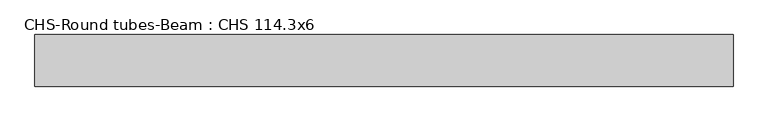
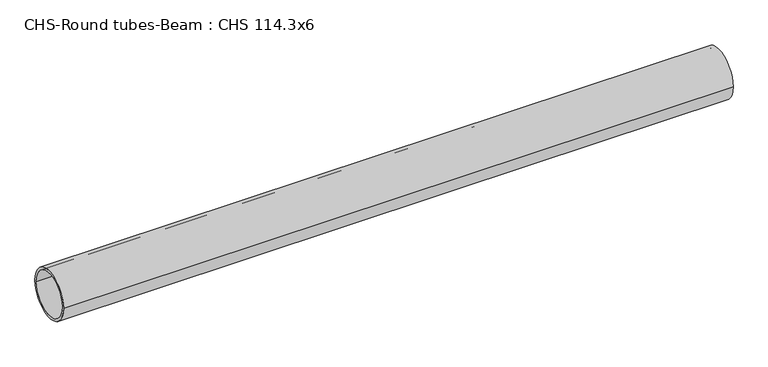
"""IFC4 building model written with IfcOpenShell, lengths in millimetres: beam geometry, CHS-Round tubes-Beam : CHS 114.3x6."""

from ifc_helpers import new_model, si_unit, point, frame, origin, origin_2d, place, context, project, spatial, circle_curve, trimmed, segment, composite_curve, outline, extrude, source, transform, mapped, element, save


def chs_round_tubes_beam_chs_114_3x6_e14527c5(model_context):
    return source(origin(), model_context, "Body", "SweptSolid", [
        extrude(outline(composite_curve([segment(trimmed(circle_curve(origin_2d(), 57.15), [point((57.15, 0.0))], [point((-57.15, 0.0))], False, "CARTESIAN"), True, "CONTINUOUS"), segment(trimmed(circle_curve(origin_2d(), 57.15), [point((-57.15, 0.0))], [point((57.15, 0.0))], False, "CARTESIAN"), True, "CONTINUOUS")], self_intersect=False), holes=[composite_curve([segment(trimmed(circle_curve(origin_2d(), 51.15), [point((51.15, 0.0))], [point((-51.15, 0.0))], True, "CARTESIAN"), True, "CONTINUOUS"), segment(trimmed(circle_curve(origin_2d(), 51.15), [point((-51.15, 0.0))], [point((51.15, 0.0))], True, "CARTESIAN"), True, "CONTINUOUS")], self_intersect=False)]), frame((-747.5068852, 0.0, 0.0), z_axis=(1.0, 0.0, 0.0), x_axis=(0.0, 1.0, 0.0)), (0.0, 0.0, 1.0), 1544.7820137),
    ])


if __name__ == "__main__":
    model = new_model("IFC4")
    model_context = context("Model", 3, world=origin())
    ifc_project = project(units=[si_unit("LENGTHUNIT", "METRE", prefix="MILLI")], contexts=[model_context])
    site = spatial("IfcSite", under=ifc_project)
    building = spatial("IfcBuilding", under=site)
    placement = place(None, origin())
    chs_round_tubes_beam_chs_114_3x6_shape = chs_round_tubes_beam_chs_114_3x6_e14527c5(model_context)
    element("IfcBeam", 1, ObjectType="CHS-Round tubes-Beam : CHS 114.3x6", at=placement, inside=building, context=model_context, shape_type="MappedRepresentation", body=[
        mapped(chs_round_tubes_beam_chs_114_3x6_shape, transform((0.0, 0.0, 0.0), x_axis=(1.0, 0.0, 0.0), y_axis=(0.0, 1.0, 0.0), z_axis=(0.0, 0.0, 1.0))),
    ])
    save(model, "model.ifc")
